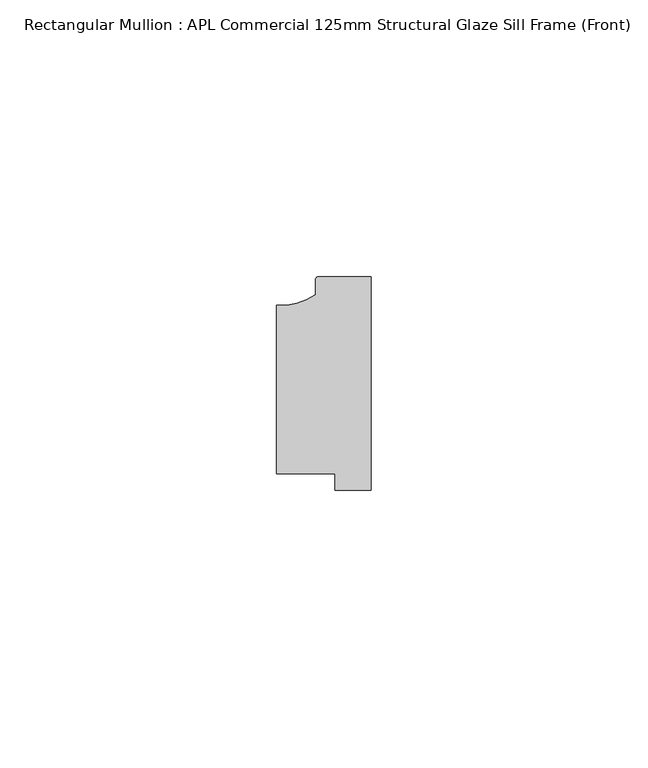
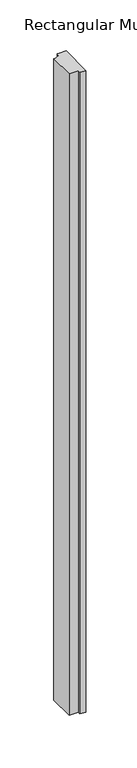
"""IFC4 building model written with IfcOpenShell, lengths in millimetres: member geometry, Rectangular Mullion : APL Commercial 125mm Structural Glaze Sill Frame (Front)."""

from ifc_helpers import new_model, si_unit, point, frame, frame_2d, origin, place, context, project, spatial, polyline, circle_curve, trimmed, segment, composite_curve, outline, extrude, source, transform, mapped, element, save


def rectangular_mullion_apl_commercial_125mm_structural_glaze_802b2e17(model_context):
    return source(origin(), model_context, "Body", "SweptSolid", [
        extrude(outline(composite_curve([segment(trimmed(circle_curve(frame_2d((-16.1098048, 25.7977481)), 10.4563907), [point((-16.999942, 15.3793144))], [point((-10.0, 17.3120901))], True, "CARTESIAN"), True, "CONTINUOUS"), segment(polyline([(-10.0, 17.3120901), (-10.0, 19.9980675)]), True, "CONTINUOUS"), segment(trimmed(circle_curve(frame_2d((-9.5000029, 19.99978)), 0.5), [point((-10.0, 19.9980675))], [point((-9.5000029, 20.49978))], False, "CARTESIAN"), True, "CONTINUOUS"), segment(polyline([(-9.5000029, 20.49978), (0.0, 20.49978), (0.0, -18.0281616), (-6.5000029, -18.0281616), (-6.5000029, -15.0004332), (-16.999942, -15.0004332), (-16.999942, 15.3793144)]), True, "CONTINUOUS")], self_intersect=False)), frame((0.0, 0.0, -768.0001218), z_axis=(0.0, 0.0, 1.0), x_axis=(1.0, 0.0, 0.0)), (0.0, 0.0, 1.0), 768.0001218),
    ])


if __name__ == "__main__":
    model = new_model("IFC4")
    model_context = context("Model", 3, world=origin())
    ifc_project = project(units=[si_unit("LENGTHUNIT", "METRE", prefix="MILLI")], contexts=[model_context])
    site = spatial("IfcSite", under=ifc_project)
    building = spatial("IfcBuilding", under=site)
    placement = place(None, origin())
    rectangular_mullion_apl_commercial_125mm_structural_glaze_shape = rectangular_mullion_apl_commercial_125mm_structural_glaze_802b2e17(model_context)
    element("IfcMember", 1, ObjectType="Rectangular Mullion : APL Commercial 125mm Structural Glaze Sill Frame (Front)", at=placement, inside=building, context=model_context, shape_type="MappedRepresentation", body=[
        mapped(rectangular_mullion_apl_commercial_125mm_structural_glaze_shape, transform((0.0, 0.0, 0.0), x_axis=(1.0, 0.0, 0.0), y_axis=(0.0, 1.0, 0.0), z_axis=(0.0, 0.0, 1.0))),
    ])
    save(model, "model.ifc")
